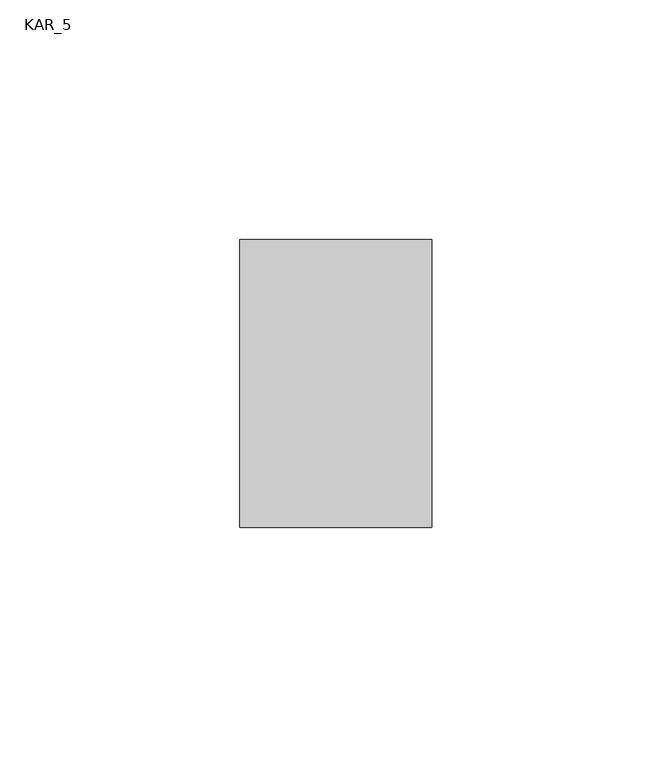
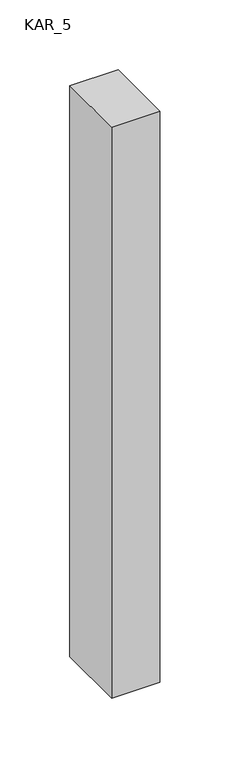
"""IFC4 building model written with IfcOpenShell, lengths in millimetres: proxy geometry, KAR_5."""

from ifc_helpers import new_model, si_unit, frame, origin, place, context, project, spatial, polyline, outline, extrude, source, transform, mapped, element, save


def kar_5_12169a37(model_context):
    return source(origin(), model_context, "Body", "SweptSolid", [
        extrude(outline(polyline([(40.0, 60.0), (40.0, 0.0), (0.0, 0.0), (0.0, 60.0), (40.0, 60.0)])), frame((0.0, 0.0, 1900.0), z_axis=(0.0, 0.0, 1.0), x_axis=(1.0, 0.0, 0.0)), (0.0, 0.0, 1.0), 500.0),
    ])


if __name__ == "__main__":
    model = new_model("IFC4")
    model_context = context("Model", 3, world=origin())
    ifc_project = project(units=[si_unit("LENGTHUNIT", "METRE", prefix="MILLI")], contexts=[model_context])
    site = spatial("IfcSite", under=ifc_project)
    building = spatial("IfcBuilding", under=site)
    placement = place(None, origin())
    kar_5_shape = kar_5_12169a37(model_context)
    element("IfcBuildingElementProxy", 1, Name="KAR_5", ObjectType="KAR_5", at=placement, inside=building, context=model_context, shape_type="MappedRepresentation", body=[
        mapped(kar_5_shape, transform((0.0, 0.0, 0.0), x_axis=(1.0, 0.0, 0.0), y_axis=(0.0, 1.0, 0.0), z_axis=(0.0, 0.0, 1.0))),
    ])
    save(model, "model.ifc")
